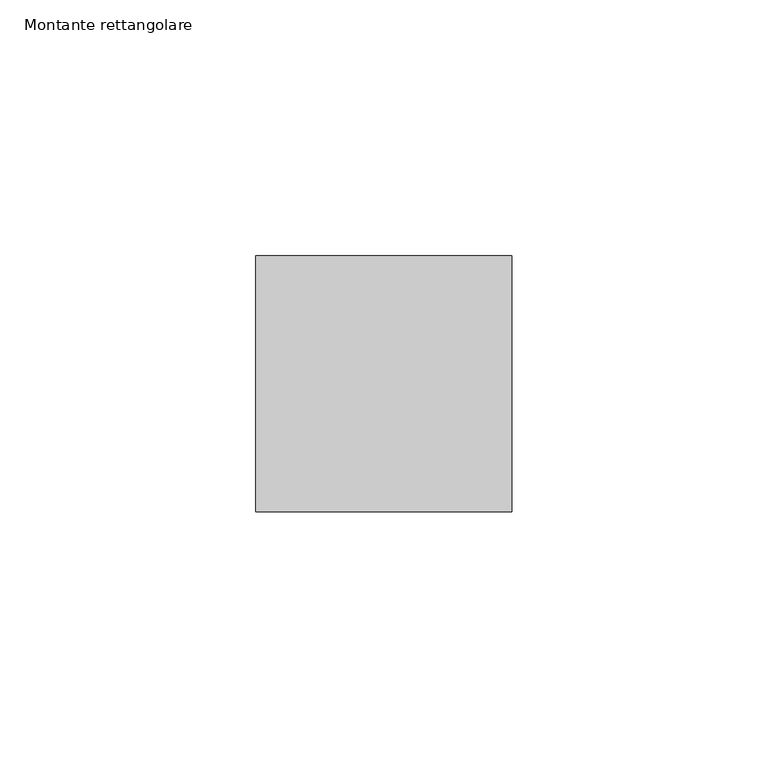
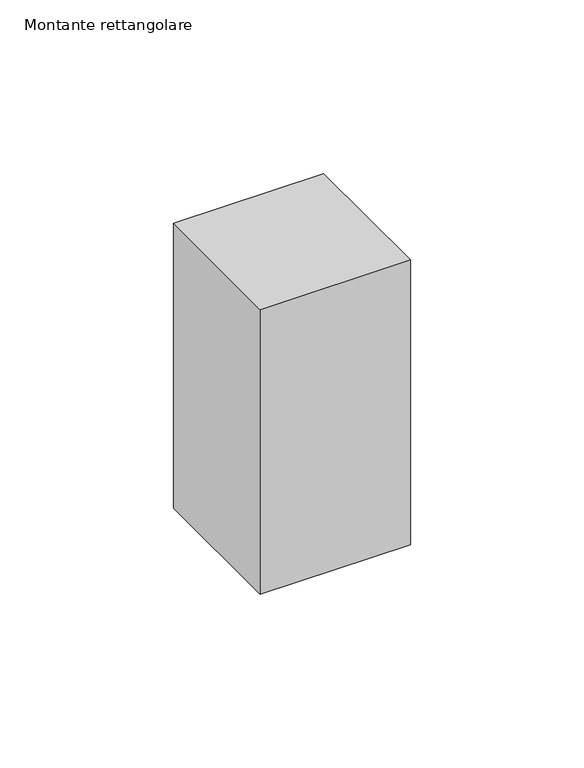
"""IFC4 building model written with IfcOpenShell, lengths in millimetres: member geometry, Montante rettangolare."""

import ifcopenshell
import ifcopenshell.guid

model = None  # the IFC model being written
_history = None  # IfcOwnerHistory: only IFC2X3 demands one
_inside = {}  # id of a spatial element -> (the spatial element, [elements in it])
_under = {}  # id of a project, library or spatial element -> (it, [spatial elements below it])
_declared = {}  # id of a project -> (the project, [libraries it declares])
_typed = {}  # id of a type object -> (the type object, [elements of that type])
_made_of = {}  # id of a material, layer set ... -> (it, [elements and type objects made of it])


def new_model(schema):
    """Start an empty IFC model of exactly this schema.

    Asked for "IFC4X3", IfcOpenShell would pick the latest addendum, in which some entities
    have other attributes; the version numbers below select the first issue.
    IFC2X3 requires an IfcOwnerHistory on every rooted entity: one is made here for all.
    """
    global model, _history
    if schema == "IFC4X3":
        model = ifcopenshell.file(schema_version=(4, 3, 0, 0))
    else:
        model = ifcopenshell.file(schema=schema)
    _inside.clear()
    _under.clear()
    _declared.clear()
    _typed.clear()
    _made_of.clear()
    _history = None
    if model.schema == "IFC2X3":
        org = make("IfcOrganization", Name="unknown")
        user = make(
            "IfcPersonAndOrganization",
            ThePerson=make("IfcPerson", FamilyName="unknown"),
            TheOrganization=org,
        )
        app = make(
            "IfcApplication",
            ApplicationDeveloper=org,
            Version="unknown",
            ApplicationFullName="unknown",
            ApplicationIdentifier="unknown",
        )
        _history = make(
            "IfcOwnerHistory",
            OwningUser=user,
            OwningApplication=app,
            ChangeAction="ADDED",
            CreationDate=0,
        )
    return model


def make(cls, **values):
    """One entity of the class cls with the attributes given. An attribute that is None is left unset."""
    return model.create_entity(
        cls, **{name: value for name, value in values.items() if value is not None}
    )


def rooted(cls, **values):
    """An entity with a GlobalId (a new one), such as an element, a storey or a relation."""
    return make(cls, GlobalId=ifcopenshell.guid.new(), OwnerHistory=_history, **values)


def si_unit(unit_type, name, prefix=None):
    """IfcSIUnit, for example si_unit("LENGTHUNIT", "METRE", prefix="MILLI")."""
    return make("IfcSIUnit", UnitType=unit_type, Prefix=prefix, Name=name)


def assignment(units):
    """IfcUnitAssignment: the units of a project."""
    return None if units is None else make("IfcUnitAssignment", Units=units)


def point(xyz):
    """IfcCartesianPoint."""
    return None if xyz is None else make("IfcCartesianPoint", Coordinates=xyz)


def direction(xyz):
    """IfcDirection."""
    return None if xyz is None else make("IfcDirection", DirectionRatios=xyz)


def frame(location, z_axis=None, x_axis=None):
    """IfcAxis2Placement3D, a coordinate frame: its origin and axes. An axis left out is left unset."""
    return make(
        "IfcAxis2Placement3D",
        Location=point(location),
        Axis=direction(z_axis),
        RefDirection=direction(x_axis),
    )


def origin():
    """The frame at (0, 0, 0) with its axes left unset."""
    return frame((0.0, 0.0, 0.0))


def place(relative_to, where):
    """IfcLocalPlacement: puts the frame where relative to a parent placement (None: the world)."""
    return make(
        "IfcLocalPlacement", PlacementRelTo=relative_to, RelativePlacement=where
    )


def context(
    kind, dimensions, precision=None, world=None, true_north=None, identifier=None
):
    """IfcGeometricRepresentationContext, for example the 3D "Model" context."""
    return make(
        "IfcGeometricRepresentationContext",
        ContextIdentifier=identifier,
        ContextType=kind,
        CoordinateSpaceDimension=dimensions,
        Precision=precision,
        WorldCoordinateSystem=world,
        TrueNorth=true_north,
    )


def project(units=None, contexts=None):
    """IfcProject with its units and contexts."""
    return rooted(
        "IfcProject",
        Name="project",
        RepresentationContexts=contexts,
        UnitsInContext=assignment(units),
    )


def spatial(cls, under=None, at=None, **own):
    """A site, building, storey or space (cls), placed at a placement, below another one or the project."""
    s = rooted(cls, ObjectPlacement=at, **own)
    if under is not None:
        _under.setdefault(under.id(), (under, []))[1].append(s)
    return s


def polyline(points):
    """IfcPolyline through the points."""
    return make("IfcPolyline", Points=[point(p) for p in points])


def outline(outer, holes=None, kind="AREA"):
    """IfcArbitraryClosedProfileDef: a profile drawn as a closed curve; with holes, ...WithVoids."""
    if holes is None:
        return make("IfcArbitraryClosedProfileDef", ProfileType=kind, OuterCurve=outer)
    return make(
        "IfcArbitraryProfileDefWithVoids",
        ProfileType=kind,
        OuterCurve=outer,
        InnerCurves=holes,
    )


def extrude(swept, where, along, depth):
    """IfcExtrudedAreaSolid: the profile swept, set in the frame where, extruded along a direction by depth."""
    return make(
        "IfcExtrudedAreaSolid",
        SweptArea=swept,
        Position=where,
        ExtrudedDirection=direction(along),
        Depth=depth,
    )


def shape(context_of_items, identifier, shape_type, items):
    """IfcShapeRepresentation: the items that make up one representation, for example the "Body"."""
    return make(
        "IfcShapeRepresentation",
        ContextOfItems=context_of_items,
        RepresentationIdentifier=identifier,
        RepresentationType=shape_type,
        Items=items,
    )


def source(mapping_origin, context_of_items, identifier, shape_type, items):
    """IfcRepresentationMap: a shape defined once, which mapped items show again and again."""
    return make(
        "IfcRepresentationMap",
        MappingOrigin=mapping_origin,
        MappedRepresentation=shape(context_of_items, identifier, shape_type, items),
    )


def transform(
    local_origin,
    x_axis=None,
    y_axis=None,
    z_axis=None,
    scale=None,
    scale2=None,
    scale3=None,
    uniform=True,
):
    """IfcCartesianTransformationOperator3D, or its non-uniform kind. x_axis, y_axis, z_axis: its Axis1, 2, 3."""
    if uniform:
        return make(
            "IfcCartesianTransformationOperator3D",
            Axis1=direction(x_axis),
            Axis2=direction(y_axis),
            LocalOrigin=point(local_origin),
            Scale=scale,
            Axis3=direction(z_axis),
        )
    return make(
        "IfcCartesianTransformationOperator3DnonUniform",
        Axis1=direction(x_axis),
        Axis2=direction(y_axis),
        LocalOrigin=point(local_origin),
        Scale=scale,
        Axis3=direction(z_axis),
        Scale2=scale2,
        Scale3=scale3,
    )


def mapped(mapping_source, mapping_target):
    """IfcMappedItem: shows the shape of a source again, moved by a transform."""
    return make(
        "IfcMappedItem", MappingSource=mapping_source, MappingTarget=mapping_target
    )


def made_of(thing, what):
    """Note that an element or type object is made of a material, layer set ...; save() writes the relation."""
    if what is not None:
        _made_of.setdefault(what.id(), (what, []))[1].append(thing)
    return thing


def element(
    cls,
    number,
    at=None,
    inside=None,
    cuts=None,
    type_object=None,
    material=None,
    context=None,
    identifier="Body",
    shape_type=None,
    held_by="IfcProductDefinitionShape",
    body=None,
    shapes=None,
    **own,
):
    """One element of the class cls, such as IfcWall. Its Tag is "e" and its number.

    at: its placement. inside: the storey or other place that contains it. cuts: it is an
    opening in that element (IfcRelVoidsElement). A single representation is given by context,
    identifier, shape_type and body (its items); several are given by shapes. held_by: the class
    of the entity that holds the representations. save() writes the other relations.
    """
    e = rooted(cls, Tag="e%d" % number, ObjectPlacement=at, **own)
    if body is not None:
        shapes = [shape(context, identifier, shape_type, body)]
    if shapes is not None:
        e.Representation = make(held_by, Representations=shapes)
    if inside is not None:
        _inside.setdefault(inside.id(), (inside, []))[1].append(e)
    if cuts is not None:
        rooted(
            "IfcRelVoidsElement", RelatingBuildingElement=cuts, RelatedOpeningElement=e
        )
    if type_object is not None:
        _typed.setdefault(type_object.id(), (type_object, []))[1].append(e)
    return made_of(e, material)


def aggregate(whole, parts):
    """IfcRelAggregates: a whole, such as a stair, and the parts it consists of."""
    return rooted("IfcRelAggregates", RelatingObject=whole, RelatedObjects=parts)


def save(model, path):
    """Write the relations noted so far, then the file.

    IfcRelAggregates (storeys below a building ...), IfcRelContainedInSpatialStructure (elements
    in a storey), IfcRelDefinesByType, IfcRelAssociatesMaterial and IfcRelDeclares: one each for
    every whole, place, type object, material and project.
    """
    for whole, parts in _under.values():
        aggregate(whole, parts)
    for where, things in _inside.values():
        rooted(
            "IfcRelContainedInSpatialStructure",
            RelatedElements=things,
            RelatingStructure=where,
        )
    for kind, things in _typed.values():
        rooted("IfcRelDefinesByType", RelatedObjects=things, RelatingType=kind)
    for what, things in _made_of.values():
        rooted("IfcRelAssociatesMaterial", RelatedObjects=things, RelatingMaterial=what)
    for by, libraries in _declared.values():
        rooted("IfcRelDeclares", RelatingContext=by, RelatedDefinitions=libraries)
    model.write(path)


def montante_rettangolare_ccc2ee7b(model_context):
    return source(origin(), model_context, "Body", "SweptSolid", [
        extrude(outline(polyline([(0.0, 25.0), (0.0, -25.0), (-50.0, -25.0), (-50.0, 25.0), (0.0, 25.0)])), frame((0.0, 0.0, -100.0873672), z_axis=(0.0, 0.0, 1.0), x_axis=(1.0, 0.0, 0.0)), (0.0, 0.0, 1.0), 100.0873672),
    ])


if __name__ == "__main__":
    model = new_model("IFC4")
    model_context = context("Model", 3, world=origin())
    ifc_project = project(units=[si_unit("LENGTHUNIT", "METRE", prefix="MILLI")], contexts=[model_context])
    site = spatial("IfcSite", under=ifc_project)
    building = spatial("IfcBuilding", under=site)
    placement = place(None, origin())
    montante_rettangolare_shape = montante_rettangolare_ccc2ee7b(model_context)
    element("IfcMember", 1, ObjectType="Montante rettangolare", at=placement, inside=building, context=model_context, shape_type="MappedRepresentation", body=[
        mapped(montante_rettangolare_shape, transform((0.0, 0.0, 0.0), x_axis=(1.0, 0.0, 0.0), y_axis=(0.0, 1.0, 0.0), z_axis=(0.0, 0.0, 1.0))),
    ])
    save(model, "model.ifc")
